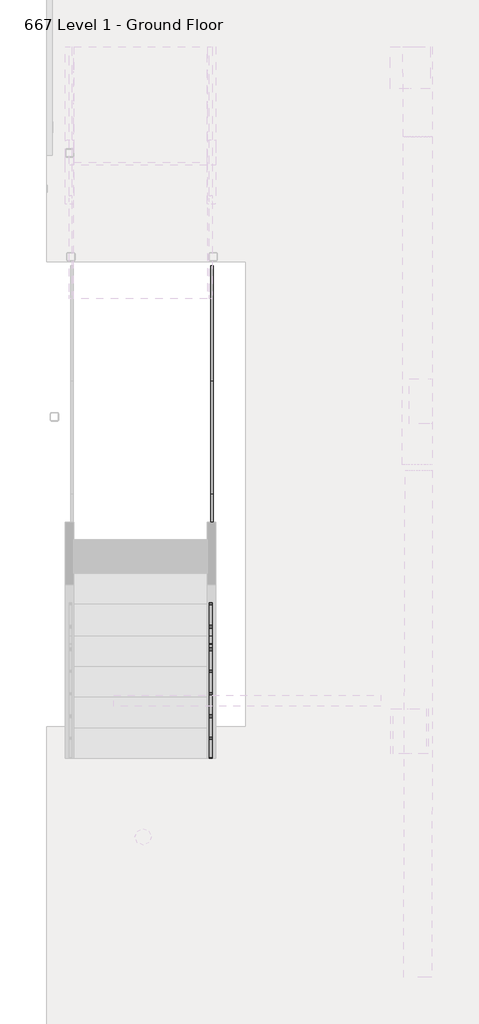
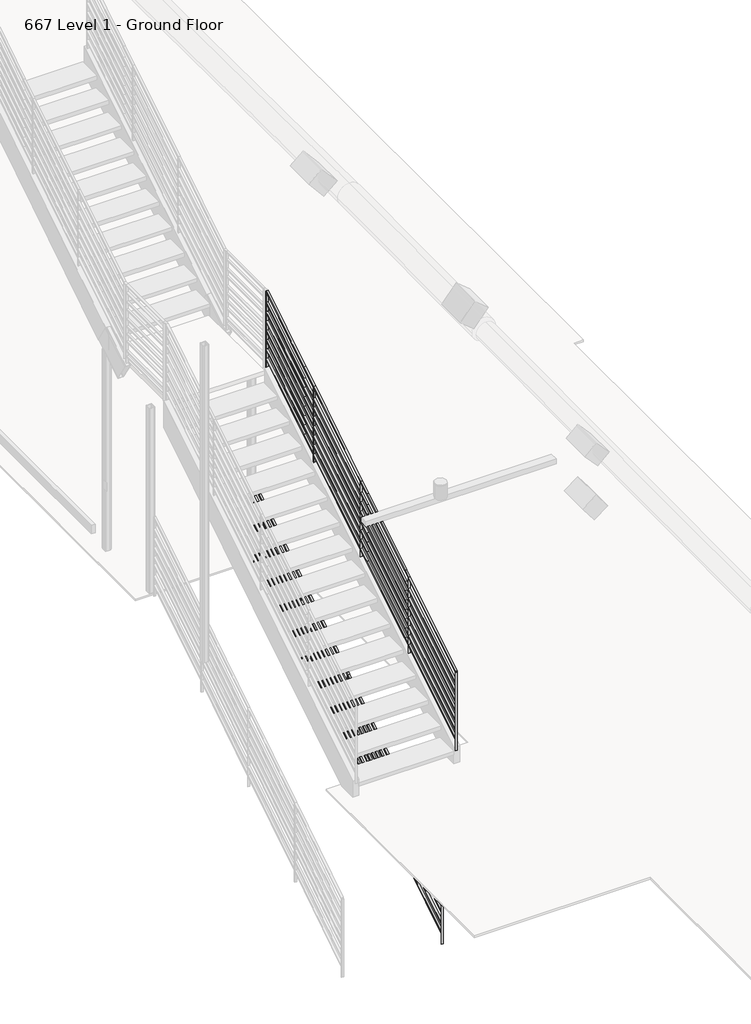
# One storey, part 12 of 16: 2 railings.
"""IFC4 building model written with IfcOpenShell, lengths in millimetres."""

from ifc_helpers import new_model, si_unit, frame, origin, place, context, project, spatial, polyline, outline, extrude, faceted_brep, element, save

model = new_model("IFC4")

# Units and contexts
model_context = context("Model", 3, world=origin())
ifc_project = project(units=[si_unit("LENGTHUNIT", "METRE", prefix="MILLI")], contexts=[model_context])

# Site, building, storey
site = spatial("IfcSite", under=ifc_project)
building = spatial("IfcBuilding", under=site)
storey = spatial("IfcBuildingStorey", under=building, Name="667 Level 1 - Ground Floor", Elevation=-11277.6)

# Railings
placement = place(None, origin())
element("IfcRailing", 1, ObjectType="Handrail - Rectangular Type3", at=placement, inside=storey, context=model_context, shape_type="SolidModel", body=[
    faceted_brep([(-10671.1430588, -1585.5048905, -12857.8219788), (-10671.1430588, -1585.5048905, -12872.8560704), (-10645.7430588, -1585.5048905, -12872.8560704), (-10645.7430588, -1585.5048905, -12857.8219788), (-10671.1430588, -547.5031963, -12200.2243145), (-10671.1430588, -540.7065848, -12210.9525982), (-10645.7430588, -540.7065848, -12210.9525982), (-10645.7430588, -547.5031963, -12200.2243145), (-10671.1430588, 493.8968037, -11540.4737464), (-10671.1430588, 500.6934152, -11551.2020301), (-10645.7430588, 500.6934152, -11551.2020301), (-10645.7430588, 493.8968037, -11540.4737464), (-10671.1430588, 1528.9468037, -10884.7460475), (-10671.1430588, 1535.7434152, -10895.4743312), (-10645.7430588, 1535.7434152, -10895.4743312), (-10645.7430588, 1528.9468037, -10884.7460475), (-10671.1430588, 2579.9937638, -10218.8839108), (-10645.7430588, 2579.9937638, -10218.8839108), (-10645.7430588, 2579.9937638, -10233.9180024), (-10671.1430588, 2579.9937638, -10233.9180024)], [[[0, 1, 2, 3]], [[1, 0, 4, 5]], [[2, 1, 5, 6]], [[3, 2, 6, 7]], [[0, 3, 7, 4]], [[5, 4, 8, 9]], [[6, 5, 9, 10]], [[7, 6, 10, 11]], [[4, 7, 11, 8]], [[9, 8, 12, 13]], [[10, 9, 13, 14]], [[11, 10, 14, 15]], [[8, 11, 15, 12]], [[16, 17, 18, 19]], [[13, 12, 16, 19]], [[14, 13, 19, 18]], [[15, 14, 18, 17]], [[12, 15, 17, 16]]]),
    extrude(outline(polyline([(-1585.5048905, -13787.2560704), (-1585.5048905, -13772.2219788), (-544.1048905, -13112.4714106), (-544.1048905, -13127.5055022), (-1585.5048905, -13787.2560704)])), frame((-10671.1430588, 0.0, 0.0), z_axis=(1.0, 0.0, 0.0), x_axis=(0.0, 1.0, 0.0)), (0.0, 0.0, 1.0), 25.4),
    extrude(outline(polyline([(-1585.5048905, -13660.2560704), (-1585.5048905, -13645.2219788), (-544.1048905, -12985.4714106), (-544.1048905, -13000.5055022), (-1585.5048905, -13660.2560704)])), frame((-10671.1430588, 0.0, 0.0), z_axis=(1.0, 0.0, 0.0), x_axis=(0.0, 1.0, 0.0)), (0.0, 0.0, 1.0), 25.4),
    extrude(outline(polyline([(-1585.5048905, -13507.8560704), (-1585.5048905, -13492.8219788), (-544.1048905, -12833.0714106), (-544.1048905, -12848.1055022), (-1585.5048905, -13507.8560704)])), frame((-10671.1430588, 0.0, 0.0), z_axis=(1.0, 0.0, 0.0), x_axis=(0.0, 1.0, 0.0)), (0.0, 0.0, 1.0), 25.4),
    extrude(outline(polyline([(-1585.5048905, -13406.2560704), (-1585.5048905, -13391.2219788), (-544.1048905, -12731.4714106), (-544.1048905, -12746.5055022), (-1585.5048905, -13406.2560704)])), frame((-10671.1430588, 0.0, 0.0), z_axis=(1.0, 0.0, 0.0), x_axis=(0.0, 1.0, 0.0)), (0.0, 0.0, 1.0), 25.4),
    extrude(outline(polyline([(-1585.5048905, -13279.2560704), (-1585.5048905, -13264.2219788), (-544.1048905, -12604.4714106), (-544.1048905, -12619.5055022), (-1585.5048905, -13279.2560704)])), frame((-10671.1430588, 0.0, 0.0), z_axis=(1.0, 0.0, 0.0), x_axis=(0.0, 1.0, 0.0)), (0.0, 0.0, 1.0), 25.4),
    extrude(outline(polyline([(-1585.5048905, -13152.2560704), (-1585.5048905, -13137.2219788), (-544.1048905, -12477.4714106), (-544.1048905, -12492.5055022), (-1585.5048905, -13152.2560704)])), frame((-10671.1430588, 0.0, 0.0), z_axis=(1.0, 0.0, 0.0), x_axis=(0.0, 1.0, 0.0)), (0.0, 0.0, 1.0), 25.4),
    extrude(outline(polyline([(-1585.5048905, -13025.2560704), (-1585.5048905, -13010.2219788), (-544.1048905, -12350.4714106), (-544.1048905, -12365.5055022), (-1585.5048905, -13025.2560704)])), frame((-10671.1430588, 0.0, 0.0), z_axis=(1.0, 0.0, 0.0), x_axis=(0.0, 1.0, 0.0)), (0.0, 0.0, 1.0), 25.4),
    extrude(outline(polyline([(-544.1048905, -13127.5055022), (-544.1048905, -13112.4714106), (497.2951095, -12452.7208424), (497.2951095, -12467.754934), (-544.1048905, -13127.5055022)])), frame((-10671.1430588, 0.0, 0.0), z_axis=(1.0, 0.0, 0.0), x_axis=(0.0, 1.0, 0.0)), (0.0, 0.0, 1.0), 25.4),
    extrude(outline(polyline([(497.2951095, -12467.754934), (497.2951095, -12452.7208424), (1532.3451095, -11796.9931435), (1532.3451095, -11812.0272351), (497.2951095, -12467.754934)])), frame((-10671.1430588, 0.0, 0.0), z_axis=(1.0, 0.0, 0.0), x_axis=(0.0, 1.0, 0.0)), (0.0, 0.0, 1.0), 25.4),
    extrude(outline(polyline([(1532.3451095, -11812.0272351), (1532.3451095, -11796.9931435), (2579.9937638, -11133.2839108), (2579.9937638, -11148.3180024), (1532.3451095, -11812.0272351)])), frame((-10671.1430588, 0.0, 0.0), z_axis=(1.0, 0.0, 0.0), x_axis=(0.0, 1.0, 0.0)), (0.0, 0.0, 1.0), 25.4),
    extrude(outline(polyline([(-544.1048905, -13000.5055022), (-544.1048905, -12985.4714106), (497.2951095, -12325.7208424), (497.2951095, -12340.754934), (-544.1048905, -13000.5055022)])), frame((-10671.1430588, 0.0, 0.0), z_axis=(1.0, 0.0, 0.0), x_axis=(0.0, 1.0, 0.0)), (0.0, 0.0, 1.0), 25.4),
    extrude(outline(polyline([(497.2951095, -12340.754934), (497.2951095, -12325.7208424), (1532.3451095, -11669.9931435), (1532.3451095, -11685.0272351), (497.2951095, -12340.754934)])), frame((-10671.1430588, 0.0, 0.0), z_axis=(1.0, 0.0, 0.0), x_axis=(0.0, 1.0, 0.0)), (0.0, 0.0, 1.0), 25.4),
    extrude(outline(polyline([(1532.3451095, -11685.0272351), (1532.3451095, -11669.9931435), (2579.9937638, -11006.2839108), (2579.9937638, -11021.3180024), (1532.3451095, -11685.0272351)])), frame((-10671.1430588, 0.0, 0.0), z_axis=(1.0, 0.0, 0.0), x_axis=(0.0, 1.0, 0.0)), (0.0, 0.0, 1.0), 25.4),
    extrude(outline(polyline([(-544.1048905, -12848.1055022), (-544.1048905, -12833.0714106), (497.2951095, -12173.3208424), (497.2951095, -12188.354934), (-544.1048905, -12848.1055022)])), frame((-10671.1430588, 0.0, 0.0), z_axis=(1.0, 0.0, 0.0), x_axis=(0.0, 1.0, 0.0)), (0.0, 0.0, 1.0), 25.4),
    extrude(outline(polyline([(497.2951095, -12188.354934), (497.2951095, -12173.3208424), (1532.3451095, -11517.5931435), (1532.3451095, -11532.6272351), (497.2951095, -12188.354934)])), frame((-10671.1430588, 0.0, 0.0), z_axis=(1.0, 0.0, 0.0), x_axis=(0.0, 1.0, 0.0)), (0.0, 0.0, 1.0), 25.4),
    extrude(outline(polyline([(1532.3451095, -11532.6272351), (1532.3451095, -11517.5931435), (2579.9937638, -10853.8839108), (2579.9937638, -10868.9180024), (1532.3451095, -11532.6272351)])), frame((-10671.1430588, 0.0, 0.0), z_axis=(1.0, 0.0, 0.0), x_axis=(0.0, 1.0, 0.0)), (0.0, 0.0, 1.0), 25.4),
    extrude(outline(polyline([(-544.1048905, -12746.5055022), (-544.1048905, -12731.4714106), (497.2951095, -12071.7208424), (497.2951095, -12086.754934), (-544.1048905, -12746.5055022)])), frame((-10671.1430588, 0.0, 0.0), z_axis=(1.0, 0.0, 0.0), x_axis=(0.0, 1.0, 0.0)), (0.0, 0.0, 1.0), 25.4),
    extrude(outline(polyline([(497.2951095, -12086.754934), (497.2951095, -12071.7208424), (1532.3451095, -11415.9931435), (1532.3451095, -11431.0272351), (497.2951095, -12086.754934)])), frame((-10671.1430588, 0.0, 0.0), z_axis=(1.0, 0.0, 0.0), x_axis=(0.0, 1.0, 0.0)), (0.0, 0.0, 1.0), 25.4),
    extrude(outline(polyline([(1532.3451095, -11431.0272351), (1532.3451095, -11415.9931435), (2579.9937638, -10752.2839108), (2579.9937638, -10767.3180024), (1532.3451095, -11431.0272351)])), frame((-10671.1430588, 0.0, 0.0), z_axis=(1.0, 0.0, 0.0), x_axis=(0.0, 1.0, 0.0)), (0.0, 0.0, 1.0), 25.4),
    extrude(outline(polyline([(-544.1048905, -12619.5055022), (-544.1048905, -12604.4714106), (497.2951095, -11944.7208424), (497.2951095, -11959.754934), (-544.1048905, -12619.5055022)])), frame((-10671.1430588, 0.0, 0.0), z_axis=(1.0, 0.0, 0.0), x_axis=(0.0, 1.0, 0.0)), (0.0, 0.0, 1.0), 25.4),
    extrude(outline(polyline([(497.2951095, -11959.754934), (497.2951095, -11944.7208424), (1532.3451095, -11288.9931435), (1532.3451095, -11304.0272351), (497.2951095, -11959.754934)])), frame((-10671.1430588, 0.0, 0.0), z_axis=(1.0, 0.0, 0.0), x_axis=(0.0, 1.0, 0.0)), (0.0, 0.0, 1.0), 25.4),
    extrude(outline(polyline([(1532.3451095, -11304.0272351), (1532.3451095, -11288.9931435), (2579.9937638, -10625.2839108), (2579.9937638, -10640.3180024), (1532.3451095, -11304.0272351)])), frame((-10671.1430588, 0.0, 0.0), z_axis=(1.0, 0.0, 0.0), x_axis=(0.0, 1.0, 0.0)), (0.0, 0.0, 1.0), 25.4),
    extrude(outline(polyline([(-544.1048905, -12492.5055022), (-544.1048905, -12477.4714106), (497.2951095, -11817.7208424), (497.2951095, -11832.754934), (-544.1048905, -12492.5055022)])), frame((-10671.1430588, 0.0, 0.0), z_axis=(1.0, 0.0, 0.0), x_axis=(0.0, 1.0, 0.0)), (0.0, 0.0, 1.0), 25.4),
    extrude(outline(polyline([(497.2951095, -11832.754934), (497.2951095, -11817.7208424), (1532.3451095, -11161.9931435), (1532.3451095, -11177.0272351), (497.2951095, -11832.754934)])), frame((-10671.1430588, 0.0, 0.0), z_axis=(1.0, 0.0, 0.0), x_axis=(0.0, 1.0, 0.0)), (0.0, 0.0, 1.0), 25.4),
    extrude(outline(polyline([(1532.3451095, -11177.0272351), (1532.3451095, -11161.9931435), (2579.9937638, -10498.2839108), (2579.9937638, -10513.3180024), (1532.3451095, -11177.0272351)])), frame((-10671.1430588, 0.0, 0.0), z_axis=(1.0, 0.0, 0.0), x_axis=(0.0, 1.0, 0.0)), (0.0, 0.0, 1.0), 25.4),
    extrude(outline(polyline([(-544.1048905, -12365.5055022), (-544.1048905, -12350.4714106), (497.2951095, -11690.7208424), (497.2951095, -11705.754934), (-544.1048905, -12365.5055022)])), frame((-10671.1430588, 0.0, 0.0), z_axis=(1.0, 0.0, 0.0), x_axis=(0.0, 1.0, 0.0)), (0.0, 0.0, 1.0), 25.4),
    extrude(outline(polyline([(497.2951095, -11705.754934), (497.2951095, -11690.7208424), (1532.3451095, -11034.9931435), (1532.3451095, -11050.0272351), (497.2951095, -11705.754934)])), frame((-10671.1430588, 0.0, 0.0), z_axis=(1.0, 0.0, 0.0), x_axis=(0.0, 1.0, 0.0)), (0.0, 0.0, 1.0), 25.4),
    extrude(outline(polyline([(1532.3451095, -11050.0272351), (1532.3451095, -11034.9931435), (2579.9937638, -10371.2839108), (2579.9937638, -10386.3180024), (1532.3451095, -11050.0272351)])), frame((-10671.1430588, 0.0, 0.0), z_axis=(1.0, 0.0, 0.0), x_axis=(0.0, 1.0, 0.0)), (0.0, 0.0, 1.0), 25.4),
    extrude(outline(polyline([(1529.1701095, -11956.9101893), (1529.1701095, -10899.6386698), (1535.5201095, -10895.6158005), (1535.5201095, -11956.9101893), (1529.1701095, -11956.9101893)])), frame((-10671.1430588, 0.0, 0.0), z_axis=(1.0, 0.0, 0.0), x_axis=(0.0, 1.0, 0.0)), (0.0, 0.0, 1.0), 25.4),
    extrude(outline(polyline([(494.1201095, -12612.6378882), (494.1201095, -11555.3663687), (500.4701095, -11551.3434993), (500.4701095, -12612.6378882), (494.1201095, -12612.6378882)])), frame((-10671.1430588, 0.0, 0.0), z_axis=(1.0, 0.0, 0.0), x_axis=(0.0, 1.0, 0.0)), (0.0, 0.0, 1.0), 25.4),
    extrude(outline(polyline([(-547.2798905, -13272.3884564), (-547.2798905, -12215.1169368), (-540.9298905, -12211.0940675), (-540.9298905, -13272.3884564), (-547.2798905, -13272.3884564)])), frame((-10671.1430588, 0.0, 0.0), z_axis=(1.0, 0.0, 0.0), x_axis=(0.0, 1.0, 0.0)), (0.0, 0.0, 1.0), 25.4),
    extrude(outline(polyline([(2576.8187638, -11293.2009566), (2576.8187638, -10235.9294371), (2583.1687638, -10231.9065678), (2583.1687638, -11293.2009566), (2576.8187638, -11293.2009566)])), frame((-10671.1430588, 0.0, 0.0), z_axis=(1.0, 0.0, 0.0), x_axis=(0.0, 1.0, 0.0)), (0.0, 0.0, 1.0), 25.4),
    extrude(outline(polyline([(-1588.6798905, -13932.1390246), (-1588.6798905, -12874.867505), (-1582.3298905, -12870.8446357), (-1582.3298905, -13932.1390246), (-1588.6798905, -13932.1390246)])), frame((-10671.1430588, 0.0, 0.0), z_axis=(1.0, 0.0, 0.0), x_axis=(0.0, 1.0, 0.0)), (0.0, 0.0, 1.0), 25.4),
])
element("IfcRailing", 2, ObjectType="Handrail - Rectangular Type6", at=placement, inside=storey, context=model_context, shape_type="SolidModel", body=[
    faceted_brep([(-10683.8430588, -1915.7048905, -10029.2818141), (-10683.8430588, -1915.7048905, -10044.2441118), (-10658.4430588, -1915.7048905, -10044.2441118), (-10658.4430588, -1915.7048905, -10029.2818141), (-10683.8430588, -877.6622237, -9382.6895805), (-10683.8430588, -870.9475574, -9393.469342), (-10658.4430588, -870.9475574, -9393.469342), (-10658.4430588, -877.6622237, -9382.6895805), (-10683.8430588, -801.4622237, -9335.2249341), (-10683.8430588, -794.7474815, -9346.0048175), (-10658.4430588, -794.7475574, -9346.0046955), (-10658.4430588, -801.4622996, -9335.2248122), (-10683.8430588, 193.8439764, -8738.1261307), (-10683.8430588, 187.1293102, -8727.3463692), (-10683.8430588, 1230.0196748, -8077.734526), (-10683.8430588, 1236.734341, -8088.5142875), (-10658.4430588, 193.8439764, -8738.1261307), (-10658.4430588, 1236.734341, -8088.5142875), (-10658.4430588, 187.1293102, -8727.3463692), (-10658.4430588, 1230.0196748, -8077.734526), (-10683.8430588, 1446.4377763, -7942.9286378), (-10683.8430588, 1453.1524622, -7953.7084307), (-10658.4430588, 1453.1524426, -7953.7083993), (-10658.4430588, 1446.4377567, -7942.9286063), (-10683.8430588, 49.4741047, -8813.0913634), (-10683.8430588, 56.1161894, -8823.9161664), (-10658.4430588, 56.1161143, -8823.916044), (-10658.4430588, 49.4740295, -8813.091241), (-10683.8430588, 2281.6451095, -7418.7102509), (-10658.4430588, 2281.6451095, -7418.7102509), (-10658.4430588, 2281.6451095, -7433.7045639), (-10683.8430588, 2281.6451095, -7433.7045639)], [[[0, 1, 2, 3]], [[1, 0, 4, 5]], [[2, 1, 5, 6]], [[3, 2, 6, 7]], [[0, 3, 7, 4]], [[5, 4, 8, 9]], [[6, 5, 9, 10]], [[7, 6, 10, 11]], [[4, 7, 11, 8]], [[12, 13, 14, 15]], [[16, 12, 15, 17]], [[18, 16, 17, 19]], [[13, 18, 19, 14]], [[15, 14, 20, 21]], [[17, 15, 21, 22]], [[19, 17, 22, 23]], [[14, 19, 23, 20]], [[9, 8, 24, 25]], [[10, 9, 25, 26]], [[11, 10, 26, 27]], [[8, 11, 27, 24]], [[25, 24, 13, 12]], [[26, 25, 12, 16]], [[27, 26, 16, 18]], [[24, 27, 18, 13]], [[28, 29, 30, 31]], [[21, 20, 28, 31]], [[22, 21, 31, 30]], [[23, 22, 30, 29]], [[20, 23, 29, 28]]]),
    faceted_brep([(-10658.4430588, -1915.7048905, -10943.6818141), (-10683.8430588, -1915.7048905, -10943.6818141), (-10683.8430588, -1915.7048905, -10958.6441118), (-10658.4430588, -1915.7048905, -10958.6441118), (-10658.4430588, -874.3048905, -10294.9983124), (-10658.4430588, -874.3048905, -10309.9606101), (-10683.8430588, -874.3048905, -10309.9606101), (-10683.8430588, -874.3048905, -10294.9983124)], [[[0, 1, 2, 3]], [[4, 5, 6, 7]], [[1, 0, 4, 7]], [[2, 1, 7, 6]], [[3, 2, 6, 5]], [[0, 3, 5, 4]]]),
    faceted_brep([(-10658.4430588, -1915.7048905, -10816.6818141), (-10683.8430588, -1915.7048905, -10816.6818141), (-10683.8430588, -1915.7048905, -10831.6441118), (-10658.4430588, -1915.7048905, -10831.6441118), (-10658.4430588, -874.3048905, -10167.9983124), (-10658.4430588, -874.3048905, -10182.9606101), (-10683.8430588, -874.3048905, -10182.9606101), (-10683.8430588, -874.3048905, -10167.9983124)], [[[0, 1, 2, 3]], [[4, 5, 6, 7]], [[1, 0, 4, 7]], [[2, 1, 7, 6]], [[3, 2, 6, 5]], [[0, 3, 5, 4]]]),
    faceted_brep([(-10658.4430588, -1915.7048905, -10689.6818141), (-10683.8430588, -1915.7048905, -10689.6818141), (-10683.8430588, -1915.7048905, -10704.6441118), (-10658.4430588, -1915.7048905, -10704.6441118), (-10658.4430588, -874.3048905, -10040.9983124), (-10658.4430588, -874.3048905, -10055.9606101), (-10683.8430588, -874.3048905, -10055.9606101), (-10683.8430588, -874.3048905, -10040.9983124)], [[[0, 1, 2, 3]], [[4, 5, 6, 7]], [[1, 0, 4, 7]], [[2, 1, 7, 6]], [[3, 2, 6, 5]], [[0, 3, 5, 4]]]),
    faceted_brep([(-10658.4430588, -1915.7048905, -10562.6818141), (-10683.8430588, -1915.7048905, -10562.6818141), (-10683.8430588, -1915.7048905, -10577.6441118), (-10658.4430588, -1915.7048905, -10577.6441118), (-10658.4430588, -874.3048905, -9913.9983124), (-10658.4430588, -874.3048905, -9928.9606101), (-10683.8430588, -874.3048905, -9928.9606101), (-10683.8430588, -874.3048905, -9913.9983124)], [[[0, 1, 2, 3]], [[4, 5, 6, 7]], [[1, 0, 4, 7]], [[2, 1, 7, 6]], [[3, 2, 6, 5]], [[0, 3, 5, 4]]]),
    faceted_brep([(-10658.4430588, -1915.7048905, -10435.6818141), (-10683.8430588, -1915.7048905, -10435.6818141), (-10683.8430588, -1915.7048905, -10450.6441118), (-10658.4430588, -1915.7048905, -10450.6441118), (-10658.4430588, -874.3048905, -9786.9983124), (-10658.4430588, -874.3048905, -9801.9606101), (-10683.8430588, -874.3048905, -9801.9606101), (-10683.8430588, -874.3048905, -9786.9983124)], [[[0, 1, 2, 3]], [[4, 5, 6, 7]], [[1, 0, 4, 7]], [[2, 1, 7, 6]], [[3, 2, 6, 5]], [[0, 3, 5, 4]]]),
    faceted_brep([(-10658.4430588, -1915.7048905, -10308.6818141), (-10683.8430588, -1915.7048905, -10308.6818141), (-10683.8430588, -1915.7048905, -10323.6441118), (-10658.4430588, -1915.7048905, -10323.6441118), (-10658.4430588, -874.3048905, -9659.9983124), (-10658.4430588, -874.3048905, -9674.9606101), (-10683.8430588, -874.3048905, -9674.9606101), (-10683.8430588, -874.3048905, -9659.9983124)], [[[0, 1, 2, 3]], [[4, 5, 6, 7]], [[1, 0, 4, 7]], [[2, 1, 7, 6]], [[3, 2, 6, 5]], [[0, 3, 5, 4]]]),
    faceted_brep([(-10658.4430588, -1915.7048905, -10181.6818141), (-10683.8430588, -1915.7048905, -10181.6818141), (-10683.8430588, -1915.7048905, -10196.6441118), (-10658.4430588, -1915.7048905, -10196.6441118), (-10658.4430588, -874.3048905, -9532.9983124), (-10658.4430588, -874.3048905, -9547.9606101), (-10683.8430588, -874.3048905, -9547.9606101), (-10683.8430588, -874.3048905, -9532.9983124)], [[[0, 1, 2, 3]], [[4, 5, 6, 7]], [[1, 0, 4, 7]], [[2, 1, 7, 6]], [[3, 2, 6, 5]], [[0, 3, 5, 4]]]),
    faceted_brep([(-10658.4430588, -874.3048905, -10294.9983124), (-10683.8430588, -874.3048905, -10294.9983124), (-10683.8430588, -874.3048905, -10309.9606101), (-10658.4430588, -874.3048905, -10309.9606101), (-10658.4430588, -801.4622237, -10249.6249341), (-10683.8430588, -801.4622237, -10249.6249341), (-10683.8430588, -794.7474815, -10260.4048175), (-10658.4430588, -794.7475574, -10260.4046955), (-10658.4430588, 49.4741047, -9727.4913634), (-10683.8430588, 49.4741047, -9727.4913634), (-10683.8430588, 56.1161894, -9738.3161664), (-10658.4430588, 56.1161143, -9738.316044), (-10658.4430588, 190.4866433, -9639.6551011), (-10658.4430588, 190.4866433, -9654.6173988), (-10683.8430588, 190.4866433, -9654.6173988), (-10683.8430588, 190.4866433, -9639.6551011)], [[[0, 1, 2, 3]], [[1, 0, 4, 5]], [[2, 1, 5, 6]], [[3, 2, 6, 7]], [[0, 3, 7, 4]], [[5, 4, 8, 9]], [[6, 5, 9, 10]], [[7, 6, 10, 11]], [[4, 7, 11, 8]], [[12, 13, 14, 15]], [[9, 8, 12, 15]], [[10, 9, 15, 14]], [[11, 10, 14, 13]], [[8, 11, 13, 12]]]),
    faceted_brep([(-10658.4430588, 190.4866433, -9639.6551011), (-10683.8430588, 190.4866433, -9639.6551011), (-10683.8430588, 190.4866433, -9654.6173988), (-10658.4430588, 190.4866433, -9654.6173988), (-10658.4430588, 1233.3770079, -8990.0432579), (-10658.4430588, 1233.3770079, -9005.0055556), (-10683.8430588, 1233.3770079, -9005.0055556), (-10683.8430588, 1233.3770079, -8990.0432579)], [[[0, 1, 2, 3]], [[4, 5, 6, 7]], [[1, 0, 4, 7]], [[2, 1, 7, 6]], [[3, 2, 6, 5]], [[0, 3, 5, 4]]]),
    faceted_brep([(-10658.4430588, 1233.3770079, -8990.0432579), (-10683.8430588, 1233.3770079, -8990.0432579), (-10683.8430588, 1233.3770079, -9005.0055556), (-10658.4430588, 1233.3770079, -9005.0055556), (-10658.4430588, 1446.4377763, -8857.3286378), (-10683.8430588, 1446.4377763, -8857.3286378), (-10683.8430588, 1453.1524622, -8868.1084307), (-10658.4430588, 1453.1524426, -8868.1083993), (-10658.4430588, 2279.8174101, -8334.2574074), (-10683.8430588, 2279.8174101, -8334.2574074), (-10683.8430588, 2283.4728088, -8346.9574074), (-10658.4430588, 2283.4728088, -8346.9574074), (-10658.4430588, 2286.5094854, -8334.2574074), (-10658.4430588, 2286.5094854, -8346.9574074), (-10683.8430588, 2286.5094854, -8346.9574074), (-10683.8430588, 2286.5094854, -8334.2574074)], [[[0, 1, 2, 3]], [[1, 0, 4, 5]], [[2, 1, 5, 6]], [[3, 2, 6, 7]], [[0, 3, 7, 4]], [[5, 4, 8, 9]], [[6, 5, 9, 10]], [[7, 6, 10, 11]], [[4, 7, 11, 8]], [[12, 13, 14, 15]], [[9, 8, 12, 15]], [[10, 9, 15, 14]], [[11, 10, 14, 13]], [[8, 11, 13, 12]]]),
    faceted_brep([(-10658.4430588, -874.3048905, -10167.9983124), (-10683.8430588, -874.3048905, -10167.9983124), (-10683.8430588, -874.3048905, -10182.9606101), (-10658.4430588, -874.3048905, -10182.9606101), (-10658.4430588, -801.4622237, -10122.6249341), (-10683.8430588, -801.4622237, -10122.6249341), (-10683.8430588, -794.7474815, -10133.4048175), (-10658.4430588, -794.7475574, -10133.4046955), (-10658.4430588, 49.4741047, -9600.4913634), (-10683.8430588, 49.4741047, -9600.4913634), (-10683.8430588, 56.1161894, -9611.3161664), (-10658.4430588, 56.1161143, -9611.316044), (-10658.4430588, 190.4866433, -9512.6551011), (-10658.4430588, 190.4866433, -9527.6173988), (-10683.8430588, 190.4866433, -9527.6173988), (-10683.8430588, 190.4866433, -9512.6551011)], [[[0, 1, 2, 3]], [[1, 0, 4, 5]], [[2, 1, 5, 6]], [[3, 2, 6, 7]], [[0, 3, 7, 4]], [[5, 4, 8, 9]], [[6, 5, 9, 10]], [[7, 6, 10, 11]], [[4, 7, 11, 8]], [[12, 13, 14, 15]], [[9, 8, 12, 15]], [[10, 9, 15, 14]], [[11, 10, 14, 13]], [[8, 11, 13, 12]]]),
    faceted_brep([(-10658.4430588, 190.4866433, -9512.6551011), (-10683.8430588, 190.4866433, -9512.6551011), (-10683.8430588, 190.4866433, -9527.6173988), (-10658.4430588, 190.4866433, -9527.6173988), (-10658.4430588, 1233.3770079, -8863.0432579), (-10658.4430588, 1233.3770079, -8878.0055556), (-10683.8430588, 1233.3770079, -8878.0055556), (-10683.8430588, 1233.3770079, -8863.0432579)], [[[0, 1, 2, 3]], [[4, 5, 6, 7]], [[1, 0, 4, 7]], [[2, 1, 7, 6]], [[3, 2, 6, 5]], [[0, 3, 5, 4]]]),
    faceted_brep([(-10658.4430588, 1233.3770079, -8863.0432579), (-10683.8430588, 1233.3770079, -8863.0432579), (-10683.8430588, 1233.3770079, -8878.0055556), (-10658.4430588, 1233.3770079, -8878.0055556), (-10658.4430588, 1446.4377763, -8730.3286378), (-10683.8430588, 1446.4377763, -8730.3286378), (-10683.8430588, 1453.1524622, -8741.1084307), (-10658.4430588, 1453.1524426, -8741.1083993), (-10658.4430588, 2279.8174101, -8207.2574074), (-10683.8430588, 2279.8174101, -8207.2574074), (-10683.8430588, 2283.4728088, -8219.9574074), (-10658.4430588, 2283.4728088, -8219.9574074), (-10658.4430588, 2286.5094854, -8207.2574074), (-10658.4430588, 2286.5094854, -8219.9574074), (-10683.8430588, 2286.5094854, -8219.9574074), (-10683.8430588, 2286.5094854, -8207.2574074)], [[[0, 1, 2, 3]], [[1, 0, 4, 5]], [[2, 1, 5, 6]], [[3, 2, 6, 7]], [[0, 3, 7, 4]], [[5, 4, 8, 9]], [[6, 5, 9, 10]], [[7, 6, 10, 11]], [[4, 7, 11, 8]], [[12, 13, 14, 15]], [[9, 8, 12, 15]], [[10, 9, 15, 14]], [[11, 10, 14, 13]], [[8, 11, 13, 12]]]),
    faceted_brep([(-10658.4430588, -874.3048905, -10040.9983124), (-10683.8430588, -874.3048905, -10040.9983124), (-10683.8430588, -874.3048905, -10055.9606101), (-10658.4430588, -874.3048905, -10055.9606101), (-10658.4430588, -801.4622237, -9995.6249341), (-10683.8430588, -801.4622237, -9995.6249341), (-10683.8430588, -794.7474815, -10006.4048175), (-10658.4430588, -794.7475574, -10006.4046955), (-10658.4430588, 49.4741047, -9473.4913634), (-10683.8430588, 49.4741047, -9473.4913634), (-10683.8430588, 56.1161894, -9484.3161664), (-10658.4430588, 56.1161143, -9484.316044), (-10658.4430588, 190.4866433, -9385.6551011), (-10658.4430588, 190.4866433, -9400.6173988), (-10683.8430588, 190.4866433, -9400.6173988), (-10683.8430588, 190.4866433, -9385.6551011)], [[[0, 1, 2, 3]], [[1, 0, 4, 5]], [[2, 1, 5, 6]], [[3, 2, 6, 7]], [[0, 3, 7, 4]], [[5, 4, 8, 9]], [[6, 5, 9, 10]], [[7, 6, 10, 11]], [[4, 7, 11, 8]], [[12, 13, 14, 15]], [[9, 8, 12, 15]], [[10, 9, 15, 14]], [[11, 10, 14, 13]], [[8, 11, 13, 12]]]),
    faceted_brep([(-10658.4430588, 190.4866433, -9385.6551011), (-10683.8430588, 190.4866433, -9385.6551011), (-10683.8430588, 190.4866433, -9400.6173988), (-10658.4430588, 190.4866433, -9400.6173988), (-10658.4430588, 1233.3770079, -8736.0432579), (-10658.4430588, 1233.3770079, -8751.0055556), (-10683.8430588, 1233.3770079, -8751.0055556), (-10683.8430588, 1233.3770079, -8736.0432579)], [[[0, 1, 2, 3]], [[4, 5, 6, 7]], [[1, 0, 4, 7]], [[2, 1, 7, 6]], [[3, 2, 6, 5]], [[0, 3, 5, 4]]]),
    faceted_brep([(-10658.4430588, 1233.3770079, -8736.0432579), (-10683.8430588, 1233.3770079, -8736.0432579), (-10683.8430588, 1233.3770079, -8751.0055556), (-10658.4430588, 1233.3770079, -8751.0055556), (-10658.4430588, 1446.4377763, -8603.3286378), (-10683.8430588, 1446.4377763, -8603.3286378), (-10683.8430588, 1453.1524622, -8614.1084307), (-10658.4430588, 1453.1524426, -8614.1083993), (-10658.4430588, 2279.8174101, -8080.2574074), (-10683.8430588, 2279.8174101, -8080.2574074), (-10683.8430588, 2283.4728088, -8092.9574074), (-10658.4430588, 2283.4728088, -8092.9574074), (-10658.4430588, 2286.5094854, -8080.2574074), (-10658.4430588, 2286.5094854, -8092.9574074), (-10683.8430588, 2286.5094854, -8092.9574074), (-10683.8430588, 2286.5094854, -8080.2574074)], [[[0, 1, 2, 3]], [[1, 0, 4, 5]], [[2, 1, 5, 6]], [[3, 2, 6, 7]], [[0, 3, 7, 4]], [[5, 4, 8, 9]], [[6, 5, 9, 10]], [[7, 6, 10, 11]], [[4, 7, 11, 8]], [[12, 13, 14, 15]], [[9, 8, 12, 15]], [[10, 9, 15, 14]], [[11, 10, 14, 13]], [[8, 11, 13, 12]]]),
    faceted_brep([(-10658.4430588, -874.3048905, -9913.9983124), (-10683.8430588, -874.3048905, -9913.9983124), (-10683.8430588, -874.3048905, -9928.9606101), (-10658.4430588, -874.3048905, -9928.9606101), (-10658.4430588, -801.4622237, -9868.6249341), (-10683.8430588, -801.4622237, -9868.6249341), (-10683.8430588, -794.7474815, -9879.4048175), (-10658.4430588, -794.7475574, -9879.4046955), (-10658.4430588, 49.4741047, -9346.4913634), (-10683.8430588, 49.4741047, -9346.4913634), (-10683.8430588, 56.1161894, -9357.3161664), (-10658.4430588, 56.1161143, -9357.316044), (-10658.4430588, 190.4866433, -9258.6551011), (-10658.4430588, 190.4866433, -9273.6173988), (-10683.8430588, 190.4866433, -9273.6173988), (-10683.8430588, 190.4866433, -9258.6551011)], [[[0, 1, 2, 3]], [[1, 0, 4, 5]], [[2, 1, 5, 6]], [[3, 2, 6, 7]], [[0, 3, 7, 4]], [[5, 4, 8, 9]], [[6, 5, 9, 10]], [[7, 6, 10, 11]], [[4, 7, 11, 8]], [[12, 13, 14, 15]], [[9, 8, 12, 15]], [[10, 9, 15, 14]], [[11, 10, 14, 13]], [[8, 11, 13, 12]]]),
    faceted_brep([(-10658.4430588, 190.4866433, -9258.6551011), (-10683.8430588, 190.4866433, -9258.6551011), (-10683.8430588, 190.4866433, -9273.6173988), (-10658.4430588, 190.4866433, -9273.6173988), (-10658.4430588, 1233.3770079, -8609.0432579), (-10658.4430588, 1233.3770079, -8624.0055556), (-10683.8430588, 1233.3770079, -8624.0055556), (-10683.8430588, 1233.3770079, -8609.0432579)], [[[0, 1, 2, 3]], [[4, 5, 6, 7]], [[1, 0, 4, 7]], [[2, 1, 7, 6]], [[3, 2, 6, 5]], [[0, 3, 5, 4]]]),
    faceted_brep([(-10658.4430588, 1233.3770079, -8609.0432579), (-10683.8430588, 1233.3770079, -8609.0432579), (-10683.8430588, 1233.3770079, -8624.0055556), (-10658.4430588, 1233.3770079, -8624.0055556), (-10658.4430588, 1446.4377763, -8476.3286378), (-10683.8430588, 1446.4377763, -8476.3286378), (-10683.8430588, 1453.1524622, -8487.1084307), (-10658.4430588, 1453.1524426, -8487.1083993), (-10658.4430588, 2279.8174101, -7953.2574074), (-10683.8430588, 2279.8174101, -7953.2574074), (-10683.8430588, 2283.4728088, -7965.9574074), (-10658.4430588, 2283.4728088, -7965.9574074), (-10658.4430588, 2286.5094854, -7953.2574074), (-10658.4430588, 2286.5094854, -7965.9574074), (-10683.8430588, 2286.5094854, -7965.9574074), (-10683.8430588, 2286.5094854, -7953.2574074)], [[[0, 1, 2, 3]], [[1, 0, 4, 5]], [[2, 1, 5, 6]], [[3, 2, 6, 7]], [[0, 3, 7, 4]], [[5, 4, 8, 9]], [[6, 5, 9, 10]], [[7, 6, 10, 11]], [[4, 7, 11, 8]], [[12, 13, 14, 15]], [[9, 8, 12, 15]], [[10, 9, 15, 14]], [[11, 10, 14, 13]], [[8, 11, 13, 12]]]),
    faceted_brep([(-10658.4430588, -874.3048905, -9786.9983124), (-10683.8430588, -874.3048905, -9786.9983124), (-10683.8430588, -874.3048905, -9801.9606101), (-10658.4430588, -874.3048905, -9801.9606101), (-10658.4430588, -801.4622237, -9741.6249341), (-10683.8430588, -801.4622237, -9741.6249341), (-10683.8430588, -794.7474815, -9752.4048175), (-10658.4430588, -794.7475574, -9752.4046955), (-10658.4430588, 49.4741047, -9219.4913634), (-10683.8430588, 49.4741047, -9219.4913634), (-10683.8430588, 56.1161894, -9230.3161664), (-10658.4430588, 56.1161143, -9230.316044), (-10658.4430588, 190.4866433, -9131.6551011), (-10658.4430588, 190.4866433, -9146.6173988), (-10683.8430588, 190.4866433, -9146.6173988), (-10683.8430588, 190.4866433, -9131.6551011)], [[[0, 1, 2, 3]], [[1, 0, 4, 5]], [[2, 1, 5, 6]], [[3, 2, 6, 7]], [[0, 3, 7, 4]], [[5, 4, 8, 9]], [[6, 5, 9, 10]], [[7, 6, 10, 11]], [[4, 7, 11, 8]], [[12, 13, 14, 15]], [[9, 8, 12, 15]], [[10, 9, 15, 14]], [[11, 10, 14, 13]], [[8, 11, 13, 12]]]),
    faceted_brep([(-10658.4430588, 190.4866433, -9131.6551011), (-10683.8430588, 190.4866433, -9131.6551011), (-10683.8430588, 190.4866433, -9146.6173988), (-10658.4430588, 190.4866433, -9146.6173988), (-10658.4430588, 1233.3770079, -8482.0432579), (-10658.4430588, 1233.3770079, -8497.0055556), (-10683.8430588, 1233.3770079, -8497.0055556), (-10683.8430588, 1233.3770079, -8482.0432579)], [[[0, 1, 2, 3]], [[4, 5, 6, 7]], [[1, 0, 4, 7]], [[2, 1, 7, 6]], [[3, 2, 6, 5]], [[0, 3, 5, 4]]]),
    faceted_brep([(-10658.4430588, 1233.3770079, -8482.0432579), (-10683.8430588, 1233.3770079, -8482.0432579), (-10683.8430588, 1233.3770079, -8497.0055556), (-10658.4430588, 1233.3770079, -8497.0055556), (-10658.4430588, 1446.4377763, -8349.3286378), (-10683.8430588, 1446.4377763, -8349.3286378), (-10683.8430588, 1453.1524622, -8360.1084307), (-10658.4430588, 1453.1524426, -8360.1083993), (-10658.4430588, 2279.8174101, -7826.2574074), (-10683.8430588, 2279.8174101, -7826.2574074), (-10683.8430588, 2283.4728088, -7838.9574074), (-10658.4430588, 2283.4728088, -7838.9574074), (-10658.4430588, 2286.5094854, -7826.2574074), (-10658.4430588, 2286.5094854, -7838.9574074), (-10683.8430588, 2286.5094854, -7838.9574074), (-10683.8430588, 2286.5094854, -7826.2574074)], [[[0, 1, 2, 3]], [[1, 0, 4, 5]], [[2, 1, 5, 6]], [[3, 2, 6, 7]], [[0, 3, 7, 4]], [[5, 4, 8, 9]], [[6, 5, 9, 10]], [[7, 6, 10, 11]], [[4, 7, 11, 8]], [[12, 13, 14, 15]], [[9, 8, 12, 15]], [[10, 9, 15, 14]], [[11, 10, 14, 13]], [[8, 11, 13, 12]]]),
    faceted_brep([(-10658.4430588, -874.3048905, -9659.9983124), (-10683.8430588, -874.3048905, -9659.9983124), (-10683.8430588, -874.3048905, -9674.9606101), (-10658.4430588, -874.3048905, -9674.9606101), (-10658.4430588, -801.4622237, -9614.6249341), (-10683.8430588, -801.4622237, -9614.6249341), (-10683.8430588, -794.7474815, -9625.4048175), (-10658.4430588, -794.7475574, -9625.4046955), (-10658.4430588, 49.4741047, -9092.4913634), (-10683.8430588, 49.4741047, -9092.4913634), (-10683.8430588, 56.1161894, -9103.3161664), (-10658.4430588, 56.1161143, -9103.316044), (-10658.4430588, 190.4866433, -9004.6551011), (-10658.4430588, 190.4866433, -9019.6173988), (-10683.8430588, 190.4866433, -9019.6173988), (-10683.8430588, 190.4866433, -9004.6551011)], [[[0, 1, 2, 3]], [[1, 0, 4, 5]], [[2, 1, 5, 6]], [[3, 2, 6, 7]], [[0, 3, 7, 4]], [[5, 4, 8, 9]], [[6, 5, 9, 10]], [[7, 6, 10, 11]], [[4, 7, 11, 8]], [[12, 13, 14, 15]], [[9, 8, 12, 15]], [[10, 9, 15, 14]], [[11, 10, 14, 13]], [[8, 11, 13, 12]]]),
    faceted_brep([(-10658.4430588, 190.4866433, -9004.6551011), (-10683.8430588, 190.4866433, -9004.6551011), (-10683.8430588, 190.4866433, -9019.6173988), (-10658.4430588, 190.4866433, -9019.6173988), (-10658.4430588, 1233.3770079, -8355.0432579), (-10658.4430588, 1233.3770079, -8370.0055556), (-10683.8430588, 1233.3770079, -8370.0055556), (-10683.8430588, 1233.3770079, -8355.0432579)], [[[0, 1, 2, 3]], [[4, 5, 6, 7]], [[1, 0, 4, 7]], [[2, 1, 7, 6]], [[3, 2, 6, 5]], [[0, 3, 5, 4]]]),
    faceted_brep([(-10658.4430588, 1233.3770079, -8355.0432579), (-10683.8430588, 1233.3770079, -8355.0432579), (-10683.8430588, 1233.3770079, -8370.0055556), (-10658.4430588, 1233.3770079, -8370.0055556), (-10658.4430588, 1446.4377763, -8222.3286378), (-10683.8430588, 1446.4377763, -8222.3286378), (-10683.8430588, 1453.1524622, -8233.1084307), (-10658.4430588, 1453.1524426, -8233.1083993), (-10658.4430588, 2279.8174101, -7699.2574074), (-10683.8430588, 2279.8174101, -7699.2574074), (-10683.8430588, 2283.4728088, -7711.9574074), (-10658.4430588, 2283.4728088, -7711.9574074), (-10658.4430588, 2286.5094854, -7699.2574074), (-10658.4430588, 2286.5094854, -7711.9574074), (-10683.8430588, 2286.5094854, -7711.9574074), (-10683.8430588, 2286.5094854, -7699.2574074)], [[[0, 1, 2, 3]], [[1, 0, 4, 5]], [[2, 1, 5, 6]], [[3, 2, 6, 7]], [[0, 3, 7, 4]], [[5, 4, 8, 9]], [[6, 5, 9, 10]], [[7, 6, 10, 11]], [[4, 7, 11, 8]], [[12, 13, 14, 15]], [[9, 8, 12, 15]], [[10, 9, 15, 14]], [[11, 10, 14, 13]], [[8, 11, 13, 12]]]),
    faceted_brep([(-10658.4430588, -874.3048905, -9532.9983124), (-10683.8430588, -874.3048905, -9532.9983124), (-10683.8430588, -874.3048905, -9547.9606101), (-10658.4430588, -874.3048905, -9547.9606101), (-10658.4430588, -801.4622237, -9487.6249341), (-10683.8430588, -801.4622237, -9487.6249341), (-10683.8430588, -794.7474815, -9498.4048175), (-10658.4430588, -794.7475574, -9498.4046955), (-10658.4430588, 49.4741047, -8965.4913634), (-10683.8430588, 49.4741047, -8965.4913634), (-10683.8430588, 56.1161894, -8976.3161664), (-10658.4430588, 56.1161143, -8976.316044), (-10658.4430588, 190.4866433, -8877.6551011), (-10658.4430588, 190.4866433, -8892.6173988), (-10683.8430588, 190.4866433, -8892.6173988), (-10683.8430588, 190.4866433, -8877.6551011)], [[[0, 1, 2, 3]], [[1, 0, 4, 5]], [[2, 1, 5, 6]], [[3, 2, 6, 7]], [[0, 3, 7, 4]], [[5, 4, 8, 9]], [[6, 5, 9, 10]], [[7, 6, 10, 11]], [[4, 7, 11, 8]], [[12, 13, 14, 15]], [[9, 8, 12, 15]], [[10, 9, 15, 14]], [[11, 10, 14, 13]], [[8, 11, 13, 12]]]),
    faceted_brep([(-10658.4430588, 190.4866433, -8877.6551011), (-10683.8430588, 190.4866433, -8877.6551011), (-10683.8430588, 190.4866433, -8892.6173988), (-10658.4430588, 190.4866433, -8892.6173988), (-10658.4430588, 1233.3770079, -8228.0432579), (-10658.4430588, 1233.3770079, -8243.0055556), (-10683.8430588, 1233.3770079, -8243.0055556), (-10683.8430588, 1233.3770079, -8228.0432579)], [[[0, 1, 2, 3]], [[4, 5, 6, 7]], [[1, 0, 4, 7]], [[2, 1, 7, 6]], [[3, 2, 6, 5]], [[0, 3, 5, 4]]]),
    faceted_brep([(-10658.4430588, 1233.3770079, -8228.0432579), (-10683.8430588, 1233.3770079, -8228.0432579), (-10683.8430588, 1233.3770079, -8243.0055556), (-10658.4430588, 1233.3770079, -8243.0055556), (-10658.4430588, 1446.4377763, -8095.3286378), (-10683.8430588, 1446.4377763, -8095.3286378), (-10683.8430588, 1453.1524622, -8106.1084307), (-10658.4430588, 1453.1524426, -8106.1083993), (-10658.4430588, 2279.8174101, -7572.2574074), (-10683.8430588, 2279.8174101, -7572.2574074), (-10683.8430588, 2283.4728088, -7584.9574074), (-10658.4430588, 2283.4728088, -7584.9574074), (-10658.4430588, 2286.5094854, -7572.2574074), (-10658.4430588, 2286.5094854, -7584.9574074), (-10683.8430588, 2286.5094854, -7584.9574074), (-10683.8430588, 2286.5094854, -7572.2574074)], [[[0, 1, 2, 3]], [[1, 0, 4, 5]], [[2, 1, 5, 6]], [[3, 2, 6, 7]], [[0, 3, 7, 4]], [[5, 4, 8, 9]], [[6, 5, 9, 10]], [[7, 6, 10, 11]], [[4, 7, 11, 8]], [[12, 13, 14, 15]], [[9, 8, 12, 15]], [[10, 9, 15, 14]], [[11, 10, 14, 13]], [[8, 11, 13, 12]]]),
    extrude(outline(polyline([(1230.2020079, -9149.9244067), (1230.2020079, -8092.5832492), (1236.5520079, -8088.627862), (1236.5520079, -9149.9244067), (1230.2020079, -9149.9244067)])), frame((-10683.8430588, 0.0, 0.0), z_axis=(1.0, 0.0, 0.0), x_axis=(0.0, 1.0, 0.0)), (0.0, 0.0, 1.0), 25.4),
    extrude(outline(polyline([(187.3116433, -9800.8163612), (187.3116433, -8742.1950924), (193.6616433, -8738.2397052), (193.6616433, -9800.8163612), (187.3116433, -9800.8163612)])), frame((-10683.8430588, 0.0, 0.0), z_axis=(1.0, 0.0, 0.0), x_axis=(0.0, 1.0, 0.0)), (0.0, 0.0, 1.0), 25.4),
    extrude(outline(polyline([(-877.4798905, -10454.8794613), (-877.4798905, -9397.5383037), (-871.1298905, -9393.5829165), (-871.1298905, -10454.8794613), (-877.4798905, -10454.8794613)])), frame((-10683.8430588, 0.0, 0.0), z_axis=(1.0, 0.0, 0.0), x_axis=(0.0, 1.0, 0.0)), (0.0, 0.0, 1.0), 25.4),
    extrude(outline(polyline([(2283.3344854, -8493.0074074), (2283.3344854, -7432.6442262), (2289.6844854, -7428.6586452), (2289.6844854, -8493.0074074), (2283.3344854, -8493.0074074)])), frame((-10683.8430588, 0.0, 0.0), z_axis=(1.0, 0.0, 0.0), x_axis=(0.0, 1.0, 0.0)), (0.0, 0.0, 1.0), 25.4),
    extrude(outline(polyline([(-1918.8798905, -11103.562963), (-1918.8798905, -10046.2218054), (-1912.5298905, -10042.2664182), (-1912.5298905, -11103.562963), (-1918.8798905, -11103.562963)])), frame((-10683.8430588, 0.0, 0.0), z_axis=(1.0, 0.0, 0.0), x_axis=(0.0, 1.0, 0.0)), (0.0, 0.0, 1.0), 25.4),
])

save(model, "model.ifc")
